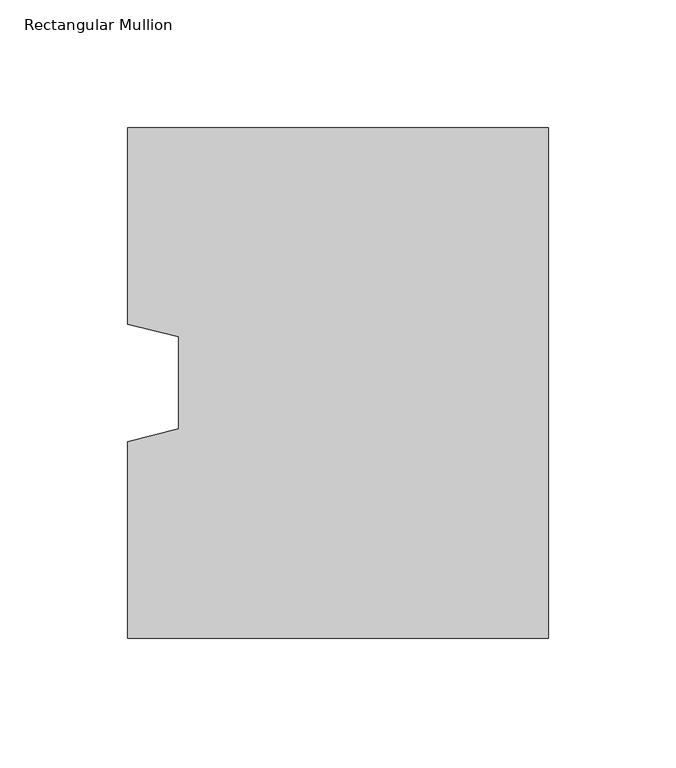
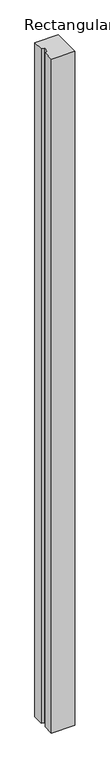
"""IFC4 building model written with IfcOpenShell, lengths in millimetres: column geometry, Rectangular Mullion."""

import ifcopenshell
import ifcopenshell.guid

model = None  # the IFC model being written
_history = None  # IfcOwnerHistory: only IFC2X3 demands one
_inside = {}  # id of a spatial element -> (the spatial element, [elements in it])
_under = {}  # id of a project, library or spatial element -> (it, [spatial elements below it])
_declared = {}  # id of a project -> (the project, [libraries it declares])
_typed = {}  # id of a type object -> (the type object, [elements of that type])
_made_of = {}  # id of a material, layer set ... -> (it, [elements and type objects made of it])


def new_model(schema):
    """Start an empty IFC model of exactly this schema.

    Asked for "IFC4X3", IfcOpenShell would pick the latest addendum, in which some entities
    have other attributes; the version numbers below select the first issue.
    IFC2X3 requires an IfcOwnerHistory on every rooted entity: one is made here for all.
    """
    global model, _history
    if schema == "IFC4X3":
        model = ifcopenshell.file(schema_version=(4, 3, 0, 0))
    else:
        model = ifcopenshell.file(schema=schema)
    _inside.clear()
    _under.clear()
    _declared.clear()
    _typed.clear()
    _made_of.clear()
    _history = None
    if model.schema == "IFC2X3":
        org = make("IfcOrganization", Name="unknown")
        user = make(
            "IfcPersonAndOrganization",
            ThePerson=make("IfcPerson", FamilyName="unknown"),
            TheOrganization=org,
        )
        app = make(
            "IfcApplication",
            ApplicationDeveloper=org,
            Version="unknown",
            ApplicationFullName="unknown",
            ApplicationIdentifier="unknown",
        )
        _history = make(
            "IfcOwnerHistory",
            OwningUser=user,
            OwningApplication=app,
            ChangeAction="ADDED",
            CreationDate=0,
        )
    return model


def make(cls, **values):
    """One entity of the class cls with the attributes given. An attribute that is None is left unset."""
    return model.create_entity(
        cls, **{name: value for name, value in values.items() if value is not None}
    )


def rooted(cls, **values):
    """An entity with a GlobalId (a new one), such as an element, a storey or a relation."""
    return make(cls, GlobalId=ifcopenshell.guid.new(), OwnerHistory=_history, **values)


def si_unit(unit_type, name, prefix=None):
    """IfcSIUnit, for example si_unit("LENGTHUNIT", "METRE", prefix="MILLI")."""
    return make("IfcSIUnit", UnitType=unit_type, Prefix=prefix, Name=name)


def assignment(units):
    """IfcUnitAssignment: the units of a project."""
    return None if units is None else make("IfcUnitAssignment", Units=units)


def point(xyz):
    """IfcCartesianPoint."""
    return None if xyz is None else make("IfcCartesianPoint", Coordinates=xyz)


def direction(xyz):
    """IfcDirection."""
    return None if xyz is None else make("IfcDirection", DirectionRatios=xyz)


def frame(location, z_axis=None, x_axis=None):
    """IfcAxis2Placement3D, a coordinate frame: its origin and axes. An axis left out is left unset."""
    return make(
        "IfcAxis2Placement3D",
        Location=point(location),
        Axis=direction(z_axis),
        RefDirection=direction(x_axis),
    )


def origin():
    """The frame at (0, 0, 0) with its axes left unset."""
    return frame((0.0, 0.0, 0.0))


def place(relative_to, where):
    """IfcLocalPlacement: puts the frame where relative to a parent placement (None: the world)."""
    return make(
        "IfcLocalPlacement", PlacementRelTo=relative_to, RelativePlacement=where
    )


def context(
    kind, dimensions, precision=None, world=None, true_north=None, identifier=None
):
    """IfcGeometricRepresentationContext, for example the 3D "Model" context."""
    return make(
        "IfcGeometricRepresentationContext",
        ContextIdentifier=identifier,
        ContextType=kind,
        CoordinateSpaceDimension=dimensions,
        Precision=precision,
        WorldCoordinateSystem=world,
        TrueNorth=true_north,
    )


def project(units=None, contexts=None):
    """IfcProject with its units and contexts."""
    return rooted(
        "IfcProject",
        Name="project",
        RepresentationContexts=contexts,
        UnitsInContext=assignment(units),
    )


def spatial(cls, under=None, at=None, **own):
    """A site, building, storey or space (cls), placed at a placement, below another one or the project."""
    s = rooted(cls, ObjectPlacement=at, **own)
    if under is not None:
        _under.setdefault(under.id(), (under, []))[1].append(s)
    return s


def polyline(points):
    """IfcPolyline through the points."""
    return make("IfcPolyline", Points=[point(p) for p in points])


def outline(outer, holes=None, kind="AREA"):
    """IfcArbitraryClosedProfileDef: a profile drawn as a closed curve; with holes, ...WithVoids."""
    if holes is None:
        return make("IfcArbitraryClosedProfileDef", ProfileType=kind, OuterCurve=outer)
    return make(
        "IfcArbitraryProfileDefWithVoids",
        ProfileType=kind,
        OuterCurve=outer,
        InnerCurves=holes,
    )


def extrude(swept, where, along, depth):
    """IfcExtrudedAreaSolid: the profile swept, set in the frame where, extruded along a direction by depth."""
    return make(
        "IfcExtrudedAreaSolid",
        SweptArea=swept,
        Position=where,
        ExtrudedDirection=direction(along),
        Depth=depth,
    )


def shape(context_of_items, identifier, shape_type, items):
    """IfcShapeRepresentation: the items that make up one representation, for example the "Body"."""
    return make(
        "IfcShapeRepresentation",
        ContextOfItems=context_of_items,
        RepresentationIdentifier=identifier,
        RepresentationType=shape_type,
        Items=items,
    )


def source(mapping_origin, context_of_items, identifier, shape_type, items):
    """IfcRepresentationMap: a shape defined once, which mapped items show again and again."""
    return make(
        "IfcRepresentationMap",
        MappingOrigin=mapping_origin,
        MappedRepresentation=shape(context_of_items, identifier, shape_type, items),
    )


def transform(
    local_origin,
    x_axis=None,
    y_axis=None,
    z_axis=None,
    scale=None,
    scale2=None,
    scale3=None,
    uniform=True,
):
    """IfcCartesianTransformationOperator3D, or its non-uniform kind. x_axis, y_axis, z_axis: its Axis1, 2, 3."""
    if uniform:
        return make(
            "IfcCartesianTransformationOperator3D",
            Axis1=direction(x_axis),
            Axis2=direction(y_axis),
            LocalOrigin=point(local_origin),
            Scale=scale,
            Axis3=direction(z_axis),
        )
    return make(
        "IfcCartesianTransformationOperator3DnonUniform",
        Axis1=direction(x_axis),
        Axis2=direction(y_axis),
        LocalOrigin=point(local_origin),
        Scale=scale,
        Axis3=direction(z_axis),
        Scale2=scale2,
        Scale3=scale3,
    )


def mapped(mapping_source, mapping_target):
    """IfcMappedItem: shows the shape of a source again, moved by a transform."""
    return make(
        "IfcMappedItem", MappingSource=mapping_source, MappingTarget=mapping_target
    )


def made_of(thing, what):
    """Note that an element or type object is made of a material, layer set ...; save() writes the relation."""
    if what is not None:
        _made_of.setdefault(what.id(), (what, []))[1].append(thing)
    return thing


def element(
    cls,
    number,
    at=None,
    inside=None,
    cuts=None,
    type_object=None,
    material=None,
    context=None,
    identifier="Body",
    shape_type=None,
    held_by="IfcProductDefinitionShape",
    body=None,
    shapes=None,
    **own,
):
    """One element of the class cls, such as IfcWall. Its Tag is "e" and its number.

    at: its placement. inside: the storey or other place that contains it. cuts: it is an
    opening in that element (IfcRelVoidsElement). A single representation is given by context,
    identifier, shape_type and body (its items); several are given by shapes. held_by: the class
    of the entity that holds the representations. save() writes the other relations.
    """
    e = rooted(cls, Tag="e%d" % number, ObjectPlacement=at, **own)
    if body is not None:
        shapes = [shape(context, identifier, shape_type, body)]
    if shapes is not None:
        e.Representation = make(held_by, Representations=shapes)
    if inside is not None:
        _inside.setdefault(inside.id(), (inside, []))[1].append(e)
    if cuts is not None:
        rooted(
            "IfcRelVoidsElement", RelatingBuildingElement=cuts, RelatedOpeningElement=e
        )
    if type_object is not None:
        _typed.setdefault(type_object.id(), (type_object, []))[1].append(e)
    return made_of(e, material)


def aggregate(whole, parts):
    """IfcRelAggregates: a whole, such as a stair, and the parts it consists of."""
    return rooted("IfcRelAggregates", RelatingObject=whole, RelatedObjects=parts)


def save(model, path):
    """Write the relations noted so far, then the file.

    IfcRelAggregates (storeys below a building ...), IfcRelContainedInSpatialStructure (elements
    in a storey), IfcRelDefinesByType, IfcRelAssociatesMaterial and IfcRelDeclares: one each for
    every whole, place, type object, material and project.
    """
    for whole, parts in _under.values():
        aggregate(whole, parts)
    for where, things in _inside.values():
        rooted(
            "IfcRelContainedInSpatialStructure",
            RelatedElements=things,
            RelatingStructure=where,
        )
    for kind, things in _typed.values():
        rooted("IfcRelDefinesByType", RelatedObjects=things, RelatingType=kind)
    for what, things in _made_of.values():
        rooted("IfcRelAssociatesMaterial", RelatedObjects=things, RelatingMaterial=what)
    for by, libraries in _declared.values():
        rooted("IfcRelDeclares", RelatingContext=by, RelatedDefinitions=libraries)
    model.write(path)


def rectangular_mullion_54772cdc(model_context):
    return source(origin(), model_context, "Body", "SweptSolid", [
        extrude(outline(polyline([(-165.0, -100.0), (-165.0, -23.0), (-145.0, -18.0), (-145.0, 18.0), (-165.0, 23.0), (-165.0, 100.0), (0.0, 100.0), (0.0, -100.0), (-165.0, -100.0)])), frame((0.0, 0.0, -5000.0), z_axis=(0.0, 0.0, 1.0), x_axis=(1.0, 0.0, 0.0)), (0.0, 0.0, 1.0), 5000.0),
    ])


if __name__ == "__main__":
    model = new_model("IFC4")
    model_context = context("Model", 3, world=origin())
    ifc_project = project(units=[si_unit("LENGTHUNIT", "METRE", prefix="MILLI")], contexts=[model_context])
    site = spatial("IfcSite", under=ifc_project)
    building = spatial("IfcBuilding", under=site)
    placement = place(None, origin())
    rectangular_mullion_shape = rectangular_mullion_54772cdc(model_context)
    element("IfcColumn", 1, ObjectType="Rectangular Mullion", at=placement, inside=building, context=model_context, shape_type="MappedRepresentation", body=[
        mapped(rectangular_mullion_shape, transform((0.0, 0.0, 0.0), x_axis=(1.0, 0.0, 0.0), y_axis=(0.0, 1.0, 0.0), z_axis=(0.0, 0.0, 1.0))),
    ])
    save(model, "model.ifc")
